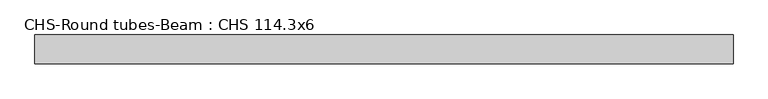
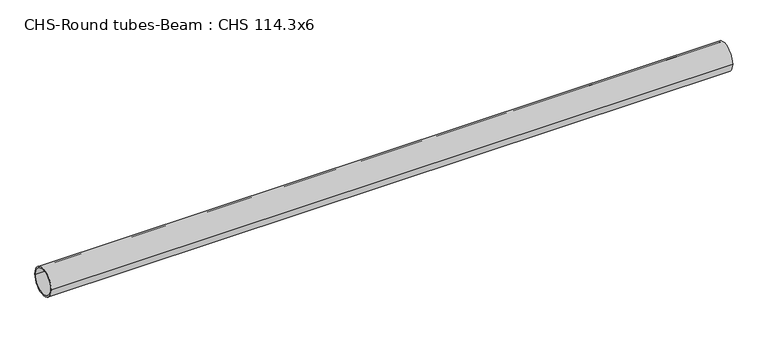
"""IFC4 building model written with IfcOpenShell, lengths in millimetres: beam geometry, CHS-Round tubes-Beam : CHS 114.3x6."""

from ifc_helpers import new_model, si_unit, point, frame, origin, origin_2d, place, context, project, spatial, circle_curve, trimmed, segment, composite_curve, outline, extrude, source, transform, mapped, element, save


def chs_round_tubes_beam_chs_114_3x6_1f072b1b(model_context):
    return source(origin(), model_context, "Body", "SweptSolid", [
        extrude(outline(composite_curve([segment(trimmed(circle_curve(origin_2d(), 57.15), [point((57.15, 0.0))], [point((-57.15, 0.0))], False, "CARTESIAN"), True, "CONTINUOUS"), segment(trimmed(circle_curve(origin_2d(), 57.15), [point((-57.15, 0.0))], [point((57.15, 0.0))], False, "CARTESIAN"), True, "CONTINUOUS")], self_intersect=False), holes=[composite_curve([segment(trimmed(circle_curve(origin_2d(), 51.15), [point((51.15, 0.0))], [point((-51.15, 0.0))], True, "CARTESIAN"), True, "CONTINUOUS"), segment(trimmed(circle_curve(origin_2d(), 51.15), [point((-51.15, 0.0))], [point((51.15, 0.0))], True, "CARTESIAN"), True, "CONTINUOUS")], self_intersect=False)]), frame((-1389.1064702, 0.0, 0.0), z_axis=(1.0, 0.0, 0.0), x_axis=(0.0, 1.0, 0.0)), (0.0, 0.0, 1.0), 2782.4587443),
    ])


if __name__ == "__main__":
    model = new_model("IFC4")
    model_context = context("Model", 3, world=origin())
    ifc_project = project(units=[si_unit("LENGTHUNIT", "METRE", prefix="MILLI")], contexts=[model_context])
    site = spatial("IfcSite", under=ifc_project)
    building = spatial("IfcBuilding", under=site)
    placement = place(None, origin())
    chs_round_tubes_beam_chs_114_3x6_shape = chs_round_tubes_beam_chs_114_3x6_1f072b1b(model_context)
    element("IfcBeam", 1, ObjectType="CHS-Round tubes-Beam : CHS 114.3x6", at=placement, inside=building, context=model_context, shape_type="MappedRepresentation", body=[
        mapped(chs_round_tubes_beam_chs_114_3x6_shape, transform((0.0, 0.0, 0.0), x_axis=(1.0, 0.0, 0.0), y_axis=(0.0, 1.0, 0.0), z_axis=(0.0, 0.0, 1.0))),
    ])
    save(model, "model.ifc")
